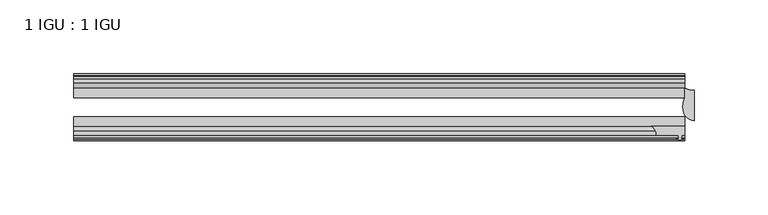
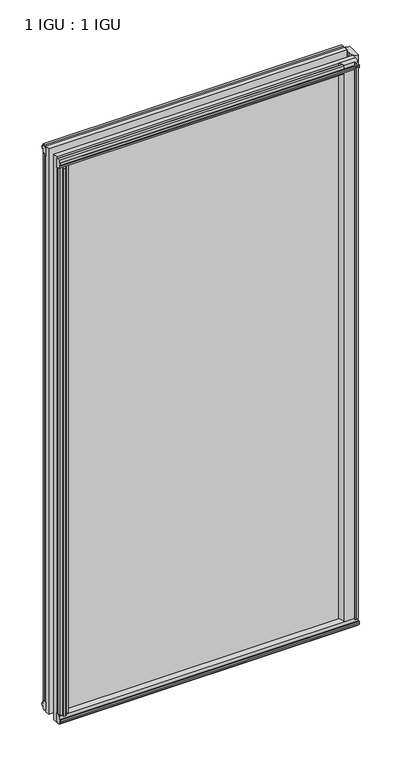
"""IFC4 building model written with IfcOpenShell, lengths in millimetres: plate geometry, 1 IGU : 1 IGU."""

from ifc_helpers import new_model, si_unit, point, frame, frame_2d, origin, origin_with_axes, place, context, project, spatial, polyline, circle_curve, ellipse_curve, trimmed, segment, composite_curve, outline, extrude, source, transform, mapped, element, save
from ifc_brep_helpers import plane_surface, cylinder_surface, revolved_surface, extruded_surface, advanced_brep


def plate_1_igu_1_igu_a9c9990e(model_context):
    return source(origin(), model_context, "Body", "SolidModel", [
        extrude(outline(composite_curve([segment(polyline([(186.9687723, -44.9460938), (209.5073409, -44.9460938), (209.5073409, -51.2960938), (207.6023409, -51.2960938), (207.2848409, -53.4006957), (208.4907468, -53.0775742), (208.4907468, -53.8927506), (206.3323409, -54.4710938), (204.173935, -53.8927506), (204.173935, -53.0775742), (205.3798409, -53.4006957), (205.0623409, -51.2960938), (190.4573409, -51.2960938)]), True, "CONTINUOUS"), segment(trimmed(circle_curve(frame_2d((183.018843, -51.2493858)), 7.4386445), [point((190.4573409, -51.2960938))], [point((186.9687723, -44.9460938))], True, "CARTESIAN"), True, "CONTINUOUS")], self_intersect=False)), origin_with_axes(), (0.0, 0.0, 1.0), 812.7872998),
        extrude(outline(polyline([(-188.8715546, -19.5460937), (-200.7019486, -19.5460937), (-202.9150261, -16.1419073), (-202.9150261, -13.1960937), (-198.4700261, -13.1960937), (-198.0890261, -10.8158968), (-199.5045552, -11.27583), (-199.5045552, -10.4746158), (-197.3270261, -9.7670937), (-195.1494971, -10.4746158), (-195.1494971, -11.27583), (-196.5650261, -10.8158968), (-196.1840261, -13.1960937), (-190.9768317, -13.1960937), (-188.8715546, -19.5460937)])), origin_with_axes(), (0.0, 0.0, 1.0), 800.1),
        extrude(outline(polyline([(-16.1419073, -12.4576852), (-19.5460937, -10.2446077), (-19.5460937, 1.5857863), (-13.1960937, -0.5194908), (-13.1960937, -5.7266852), (-10.8158968, -6.1076852), (-11.27583, -4.6921562), (-10.4746158, -4.6921562), (-9.7670937, -6.8696852), (-10.4746158, -9.0472143), (-11.27583, -9.0472143), (-10.8158968, -7.6316852), (-13.1960937, -8.0126852), (-13.1960937, -12.4576852), (-16.1419073, -12.4576852)])), frame((-203.1573409, 0.0, 0.0), z_axis=(1.0, 0.0, 0.0), x_axis=(0.0, 1.0, 0.0)), (0.0, 0.0, 1.0), 412.6646818),
        extrude(outline(polyline([(-48.3502802, -11.938), (-51.2960937, -11.938), (-51.2960937, -7.493), (-53.6762907, -7.112), (-53.2163575, -8.5275291), (-54.0175717, -8.5275291), (-54.7250937, -6.35), (-54.0175717, -4.172471), (-53.2163575, -4.172471), (-53.6762907, -5.588), (-51.2960937, -5.207), (-51.2960937, 0.0001944), (-44.9460937, 2.1054715), (-44.9460937, -9.7249225), (-48.3502802, -11.938)])), frame((-203.1573409, 0.0, 0.0), z_axis=(1.0, 0.0, 0.0), x_axis=(0.0, 1.0, 0.0)), (0.0, 0.0, 1.0), 412.6646818),
        extrude(outline(polyline([(-16.1028367, 812.5576852), (-13.1960937, 812.5576852), (-13.1960937, 808.1126852), (-10.8158968, 807.7316852), (-11.27583, 809.1472143), (-10.4746158, 809.1472143), (-9.7670937, 806.9696852), (-10.4746158, 804.7921562), (-11.27583, 804.7921562), (-10.8158968, 806.2076852), (-13.1960937, 805.8266852), (-13.1960937, 800.5940908), (-19.5460937, 798.4888137), (-19.5460937, 810.3192077), (-16.1028367, 812.5576852)])), frame((-203.1573409, 0.0, 0.0), z_axis=(1.0, 0.0, 0.0), x_axis=(0.0, 1.0, 0.0)), (0.0, 0.0, 1.0), 412.6646818),
        extrude(outline(polyline([(-48.3893508, 812.0126), (-44.9460937, 809.7741225), (-44.9460937, 797.9437285), (-51.2960937, 800.0490056), (-51.2960937, 805.2816), (-53.6762907, 805.6626), (-53.2163575, 804.247071), (-54.0175717, 804.247071), (-54.7250938, 806.4246), (-54.0175717, 808.6021291), (-53.2163575, 808.6021291), (-53.6762907, 807.1866), (-51.2960937, 807.5676), (-51.2960937, 812.0126), (-48.3893508, 812.0126)])), frame((-203.1573409, 0.0, 0.0), z_axis=(1.0, 0.0, 0.0), x_axis=(0.0, 1.0, 0.0)), (0.0, 0.0, 1.0), 412.6646818),
        advanced_brep(
        [(215.8573409, -41.2564987, 812.7872998), (215.8573409, -20.7775816, 812.7872998), (209.5073409, -19.5460938, 812.7872998), (209.5073409, -25.8452938, 812.7872998), (208.3350038, -32.2460938, 812.7872998), (215.8573409, -41.2564987, 0.0), (208.3350038, -32.2460938, 0.0), (209.5073409, -25.8452938, 0.0), (209.5073409, -19.5460938, 0.0), (215.8573409, -20.7775816, 0.0)],
        [
            (0, 1),
            (1, 2, circle_curve(frame((215.8573409, -3.7903806, 812.7872998), z_axis=(0.0, 0.0, -1.0), x_axis=(0.0, 1.0, 0.0)), 16.987201)),
            (2, 3),
            (3, 4, circle_curve(frame((226.3949172, -32.2460938, 812.7872998), z_axis=(0.0, 0.0, 1.0), x_axis=(0.0, 1.0, 0.0)), 18.0599135)),
            (4, 0, ellipse_curve(frame((215.8573409, -32.2460938, 812.7872998), z_axis=(0.0, 0.0, 1.0), x_axis=(0.0, 1.0, 0.0)), 9.010405, 7.5223372)),
            (5, 6, ellipse_curve(frame((215.8573409, -32.2460938, 0.0), z_axis=(0.0, 0.0, -1.0), x_axis=(0.0, 1.0, 0.0)), 9.010405, 7.5223372)),
            (6, 7, circle_curve(frame((226.3949172, -32.2460938, 0.0), z_axis=(0.0, 0.0, -1.0), x_axis=(0.0, 1.0, 0.0)), 18.0599135)),
            (7, 8),
            (8, 9, circle_curve(frame((215.8573409, -3.7903806, 0.0), z_axis=(0.0, 0.0, 1.0), x_axis=(0.0, 1.0, 0.0)), 16.987201)),
            (9, 5),
            (0, 5),
            (9, 1),
            (4, 6),
            (8, 2),
            (7, 3),
        ],
        [
            plane_surface(frame((190.4573409, -13.1960938, 812.7872998), z_axis=(0.0, 0.0, 1.0), x_axis=(0.0, 1.0, 0.0))),
            plane_surface(frame((190.4573409, -13.1960938, 0.0), z_axis=(0.0, 0.0, -1.0), x_axis=(0.0, 1.0, 0.0))),
            plane_surface(frame((215.8573409, -41.2564987, 812.7872998), z_axis=(1.0, 0.0, 0.0), x_axis=(0.0, 0.0, -1.0))),
            extruded_surface(trimmed(ellipse_curve(frame((215.8573409, -32.2460938, 0.0), z_axis=(0.0, 0.0, 1.0), x_axis=(0.0, 1.0, 0.0)), 9.010405, 7.5223372), [point((208.3350038, -32.2460938, 0.0))], [point((215.8573409, -41.2564987, 0.0))], True, "CARTESIAN"), (0.0, 0.0, 812.7872998), 812.7872998),
            revolved_surface(polyline([(215.8573409, 13.196820399999998, 0.0), (215.8573409, 13.196820399999998, 812.7872998)]), (215.8573409, -3.7903806, 812.7872998), (0.0, 0.0, -1.0)),
            plane_surface(frame((209.5073409, -19.5460938, 812.7872998), z_axis=(-1.0, 0.0, 0.0), x_axis=(0.0, 0.0, -1.0))),
            cylinder_surface(frame((226.3949172, -32.2460938, 812.7872998), z_axis=(0.0, 0.0, 1.0), x_axis=(0.0, 1.0, 0.0)), 18.0599135),
        ],
        [
            (0, [[1, 2, 3, 4, 5]]),
            (1, [[6, 7, 8, 9, 10]]),
            (2, [[-1, 11, -10, 12]]),
            (3, [[-5, 13, -6, -11]]),
            (4, [[-2, -12, -9, 14]]),
            (5, [[-3, -14, -8, 15]]),
            (6, [[-4, -15, -7, -13]]),
        ],
    ),
        extrude(outline(polyline([(-188.3518694, -44.9460938), (-190.4571465, -51.2960938), (-195.6643409, -51.2960938), (-196.0453409, -53.6762907), (-194.6298119, -53.2163575), (-194.6298119, -54.0175717), (-196.8073409, -54.7250938), (-198.98487, -54.0175717), (-198.98487, -53.2163575), (-197.5693409, -53.6762907), (-197.9503409, -51.2960938), (-202.3953409, -51.2960938), (-202.3953409, -48.3502802), (-200.1822634, -44.9460938), (-188.3518694, -44.9460938)])), origin_with_axes(), (0.0, 0.0, 1.0), 800.1),
        extrude(outline(polyline([(209.5073409, -19.5460937), (209.5073409, -25.8337453), (-203.1573409, -25.8337453), (-203.1573409, -19.5460937), (209.5073409, -19.5460937)])), frame((0.0, 0.0, -12.7), z_axis=(0.0, 0.0, 1.0), x_axis=(1.0, 0.0, 0.0)), (0.0, 0.0, 1.0), 825.4872998),
        extrude(outline(polyline([(-203.1573409, -44.9460937), (-203.1573409, -38.6468938), (209.5073409, -38.6468938), (209.5073409, -44.9460937), (-203.1573409, -44.9460937)])), frame((0.0, 0.0, -12.7), z_axis=(0.0, 0.0, 1.0), x_axis=(1.0, 0.0, 0.0)), (0.0, 0.0, 1.0), 825.4872998),
    ])


if __name__ == "__main__":
    model = new_model("IFC4")
    model_context = context("Model", 3, world=origin())
    ifc_project = project(units=[si_unit("LENGTHUNIT", "METRE", prefix="MILLI")], contexts=[model_context])
    site = spatial("IfcSite", under=ifc_project)
    building = spatial("IfcBuilding", under=site)
    placement = place(None, origin())
    plate_1_igu_1_igu_shape = plate_1_igu_1_igu_a9c9990e(model_context)
    element("IfcPlate", 1, ObjectType="1 IGU : 1 IGU", at=placement, inside=building, context=model_context, shape_type="MappedRepresentation", body=[
        mapped(plate_1_igu_1_igu_shape, transform((0.0, 0.0, 0.0), x_axis=(1.0, 0.0, 0.0), y_axis=(0.0, 1.0, 0.0), z_axis=(0.0, 0.0, 1.0))),
    ])
    save(model, "model.ifc")
